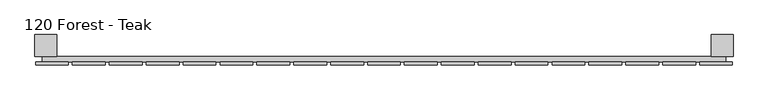
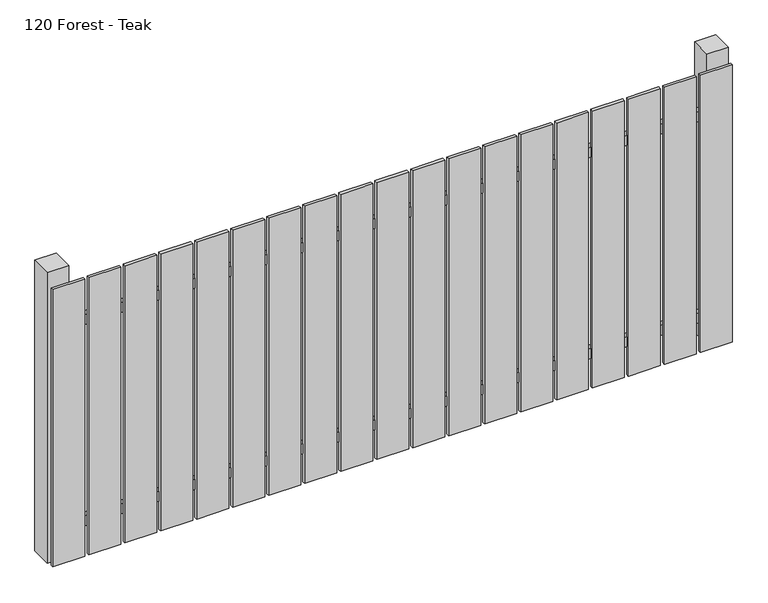
"""IFC4 building model written with IfcOpenShell, lengths in millimetres: railing geometry, 120 Forest - Teak."""

import ifcopenshell
import ifcopenshell.guid

model = None  # the IFC model being written
_history = None  # IfcOwnerHistory: only IFC2X3 demands one
_inside = {}  # id of a spatial element -> (the spatial element, [elements in it])
_under = {}  # id of a project, library or spatial element -> (it, [spatial elements below it])
_declared = {}  # id of a project -> (the project, [libraries it declares])
_typed = {}  # id of a type object -> (the type object, [elements of that type])
_made_of = {}  # id of a material, layer set ... -> (it, [elements and type objects made of it])


def new_model(schema):
    """Start an empty IFC model of exactly this schema.

    Asked for "IFC4X3", IfcOpenShell would pick the latest addendum, in which some entities
    have other attributes; the version numbers below select the first issue.
    IFC2X3 requires an IfcOwnerHistory on every rooted entity: one is made here for all.
    """
    global model, _history
    if schema == "IFC4X3":
        model = ifcopenshell.file(schema_version=(4, 3, 0, 0))
    else:
        model = ifcopenshell.file(schema=schema)
    _inside.clear()
    _under.clear()
    _declared.clear()
    _typed.clear()
    _made_of.clear()
    _history = None
    if model.schema == "IFC2X3":
        org = make("IfcOrganization", Name="unknown")
        user = make(
            "IfcPersonAndOrganization",
            ThePerson=make("IfcPerson", FamilyName="unknown"),
            TheOrganization=org,
        )
        app = make(
            "IfcApplication",
            ApplicationDeveloper=org,
            Version="unknown",
            ApplicationFullName="unknown",
            ApplicationIdentifier="unknown",
        )
        _history = make(
            "IfcOwnerHistory",
            OwningUser=user,
            OwningApplication=app,
            ChangeAction="ADDED",
            CreationDate=0,
        )
    return model


def make(cls, **values):
    """One entity of the class cls with the attributes given. An attribute that is None is left unset."""
    return model.create_entity(
        cls, **{name: value for name, value in values.items() if value is not None}
    )


def rooted(cls, **values):
    """An entity with a GlobalId (a new one), such as an element, a storey or a relation."""
    return make(cls, GlobalId=ifcopenshell.guid.new(), OwnerHistory=_history, **values)


def si_unit(unit_type, name, prefix=None):
    """IfcSIUnit, for example si_unit("LENGTHUNIT", "METRE", prefix="MILLI")."""
    return make("IfcSIUnit", UnitType=unit_type, Prefix=prefix, Name=name)


def assignment(units):
    """IfcUnitAssignment: the units of a project."""
    return None if units is None else make("IfcUnitAssignment", Units=units)


def point(xyz):
    """IfcCartesianPoint."""
    return None if xyz is None else make("IfcCartesianPoint", Coordinates=xyz)


def direction(xyz):
    """IfcDirection."""
    return None if xyz is None else make("IfcDirection", DirectionRatios=xyz)


def frame(location, z_axis=None, x_axis=None):
    """IfcAxis2Placement3D, a coordinate frame: its origin and axes. An axis left out is left unset."""
    return make(
        "IfcAxis2Placement3D",
        Location=point(location),
        Axis=direction(z_axis),
        RefDirection=direction(x_axis),
    )


def origin():
    """The frame at (0, 0, 0) with its axes left unset."""
    return frame((0.0, 0.0, 0.0))


def origin_with_axes():
    """The frame at (0, 0, 0) with the z axis (0, 0, 1) and the x axis (1, 0, 0) written out."""
    return frame((0.0, 0.0, 0.0), z_axis=(0.0, 0.0, 1.0), x_axis=(1.0, 0.0, 0.0))


def place(relative_to, where):
    """IfcLocalPlacement: puts the frame where relative to a parent placement (None: the world)."""
    return make(
        "IfcLocalPlacement", PlacementRelTo=relative_to, RelativePlacement=where
    )


def context(
    kind, dimensions, precision=None, world=None, true_north=None, identifier=None
):
    """IfcGeometricRepresentationContext, for example the 3D "Model" context."""
    return make(
        "IfcGeometricRepresentationContext",
        ContextIdentifier=identifier,
        ContextType=kind,
        CoordinateSpaceDimension=dimensions,
        Precision=precision,
        WorldCoordinateSystem=world,
        TrueNorth=true_north,
    )


def project(units=None, contexts=None):
    """IfcProject with its units and contexts."""
    return rooted(
        "IfcProject",
        Name="project",
        RepresentationContexts=contexts,
        UnitsInContext=assignment(units),
    )


def spatial(cls, under=None, at=None, **own):
    """A site, building, storey or space (cls), placed at a placement, below another one or the project."""
    s = rooted(cls, ObjectPlacement=at, **own)
    if under is not None:
        _under.setdefault(under.id(), (under, []))[1].append(s)
    return s


def polyline(points):
    """IfcPolyline through the points."""
    return make("IfcPolyline", Points=[point(p) for p in points])


def outline(outer, holes=None, kind="AREA"):
    """IfcArbitraryClosedProfileDef: a profile drawn as a closed curve; with holes, ...WithVoids."""
    if holes is None:
        return make("IfcArbitraryClosedProfileDef", ProfileType=kind, OuterCurve=outer)
    return make(
        "IfcArbitraryProfileDefWithVoids",
        ProfileType=kind,
        OuterCurve=outer,
        InnerCurves=holes,
    )


def extrude(swept, where, along, depth):
    """IfcExtrudedAreaSolid: the profile swept, set in the frame where, extruded along a direction by depth."""
    return make(
        "IfcExtrudedAreaSolid",
        SweptArea=swept,
        Position=where,
        ExtrudedDirection=direction(along),
        Depth=depth,
    )


def shape(context_of_items, identifier, shape_type, items):
    """IfcShapeRepresentation: the items that make up one representation, for example the "Body"."""
    return make(
        "IfcShapeRepresentation",
        ContextOfItems=context_of_items,
        RepresentationIdentifier=identifier,
        RepresentationType=shape_type,
        Items=items,
    )


def source(mapping_origin, context_of_items, identifier, shape_type, items):
    """IfcRepresentationMap: a shape defined once, which mapped items show again and again."""
    return make(
        "IfcRepresentationMap",
        MappingOrigin=mapping_origin,
        MappedRepresentation=shape(context_of_items, identifier, shape_type, items),
    )


def transform(
    local_origin,
    x_axis=None,
    y_axis=None,
    z_axis=None,
    scale=None,
    scale2=None,
    scale3=None,
    uniform=True,
):
    """IfcCartesianTransformationOperator3D, or its non-uniform kind. x_axis, y_axis, z_axis: its Axis1, 2, 3."""
    if uniform:
        return make(
            "IfcCartesianTransformationOperator3D",
            Axis1=direction(x_axis),
            Axis2=direction(y_axis),
            LocalOrigin=point(local_origin),
            Scale=scale,
            Axis3=direction(z_axis),
        )
    return make(
        "IfcCartesianTransformationOperator3DnonUniform",
        Axis1=direction(x_axis),
        Axis2=direction(y_axis),
        LocalOrigin=point(local_origin),
        Scale=scale,
        Axis3=direction(z_axis),
        Scale2=scale2,
        Scale3=scale3,
    )


def mapped(mapping_source, mapping_target):
    """IfcMappedItem: shows the shape of a source again, moved by a transform."""
    return make(
        "IfcMappedItem", MappingSource=mapping_source, MappingTarget=mapping_target
    )


def made_of(thing, what):
    """Note that an element or type object is made of a material, layer set ...; save() writes the relation."""
    if what is not None:
        _made_of.setdefault(what.id(), (what, []))[1].append(thing)
    return thing


def element(
    cls,
    number,
    at=None,
    inside=None,
    cuts=None,
    type_object=None,
    material=None,
    context=None,
    identifier="Body",
    shape_type=None,
    held_by="IfcProductDefinitionShape",
    body=None,
    shapes=None,
    **own,
):
    """One element of the class cls, such as IfcWall. Its Tag is "e" and its number.

    at: its placement. inside: the storey or other place that contains it. cuts: it is an
    opening in that element (IfcRelVoidsElement). A single representation is given by context,
    identifier, shape_type and body (its items); several are given by shapes. held_by: the class
    of the entity that holds the representations. save() writes the other relations.
    """
    e = rooted(cls, Tag="e%d" % number, ObjectPlacement=at, **own)
    if body is not None:
        shapes = [shape(context, identifier, shape_type, body)]
    if shapes is not None:
        e.Representation = make(held_by, Representations=shapes)
    if inside is not None:
        _inside.setdefault(inside.id(), (inside, []))[1].append(e)
    if cuts is not None:
        rooted(
            "IfcRelVoidsElement", RelatingBuildingElement=cuts, RelatedOpeningElement=e
        )
    if type_object is not None:
        _typed.setdefault(type_object.id(), (type_object, []))[1].append(e)
    return made_of(e, material)


def aggregate(whole, parts):
    """IfcRelAggregates: a whole, such as a stair, and the parts it consists of."""
    return rooted("IfcRelAggregates", RelatingObject=whole, RelatedObjects=parts)


def save(model, path):
    """Write the relations noted so far, then the file.

    IfcRelAggregates (storeys below a building ...), IfcRelContainedInSpatialStructure (elements
    in a storey), IfcRelDefinesByType, IfcRelAssociatesMaterial and IfcRelDeclares: one each for
    every whole, place, type object, material and project.
    """
    for whole, parts in _under.values():
        aggregate(whole, parts)
    for where, things in _inside.values():
        rooted(
            "IfcRelContainedInSpatialStructure",
            RelatedElements=things,
            RelatingStructure=where,
        )
    for kind, things in _typed.values():
        rooted("IfcRelDefinesByType", RelatedObjects=things, RelatingType=kind)
    for what, things in _made_of.values():
        rooted("IfcRelAssociatesMaterial", RelatedObjects=things, RelatingMaterial=what)
    for by, libraries in _declared.values():
        rooted("IfcRelDeclares", RelatingContext=by, RelatedDefinitions=libraries)
    model.write(path)


def railing_120_forest_teak_3695dc85(model_context):
    return source(origin(), model_context, "Body", "SweptSolid", [
        extrude(outline(polyline([(6087.4299228, -88939.0267127), (6087.4299228, -88919.0267127), (8587.4299228, -88919.0267127), (8587.4299228, -88939.0267127), (6087.4299228, -88939.0267127)])), frame((0.0, 0.0, 110.0), z_axis=(0.0, 0.0, 1.0), x_axis=(1.0, 0.0, 0.0)), (0.0, 0.0, 1.0), 40.0),
        extrude(outline(polyline([(6087.4299228, -88939.0267127), (6087.4299228, -88919.0267127), (8587.4299228, -88919.0267127), (8587.4299228, -88939.0267127), (6087.4299228, -88939.0267127)])), frame((0.0, 0.0, 910.0), z_axis=(0.0, 0.0, 1.0), x_axis=(1.0, 0.0, 0.0)), (0.0, 0.0, 1.0), 40.0),
        extrude(outline(polyline([(8492.4299228, -88950.5267127), (8492.4299228, -88939.5267127), (8612.4299228, -88939.5267127), (8612.4299228, -88950.5267127), (8492.4299228, -88950.5267127)])), origin_with_axes(), (0.0, 0.0, 1.0), 1100.0),
        extrude(outline(polyline([(8357.4299228, -88950.5267127), (8357.4299228, -88939.5267127), (8477.4299228, -88939.5267127), (8477.4299228, -88950.5267127), (8357.4299228, -88950.5267127)])), origin_with_axes(), (0.0, 0.0, 1.0), 1100.0),
        extrude(outline(polyline([(8222.4299228, -88950.5267127), (8222.4299228, -88939.5267127), (8342.4299228, -88939.5267127), (8342.4299228, -88950.5267127), (8222.4299228, -88950.5267127)])), origin_with_axes(), (0.0, 0.0, 1.0), 1100.0),
        extrude(outline(polyline([(8087.4299228, -88950.5267127), (8087.4299228, -88939.5267127), (8207.4299228, -88939.5267127), (8207.4299228, -88950.5267127), (8087.4299228, -88950.5267127)])), origin_with_axes(), (0.0, 0.0, 1.0), 1100.0),
        extrude(outline(polyline([(7952.4299228, -88950.5267127), (7952.4299228, -88939.5267127), (8072.4299228, -88939.5267127), (8072.4299228, -88950.5267127), (7952.4299228, -88950.5267127)])), origin_with_axes(), (0.0, 0.0, 1.0), 1100.0),
        extrude(outline(polyline([(7817.4299228, -88950.5267127), (7817.4299228, -88939.5267127), (7937.4299228, -88939.5267127), (7937.4299228, -88950.5267127), (7817.4299228, -88950.5267127)])), origin_with_axes(), (0.0, 0.0, 1.0), 1100.0),
        extrude(outline(polyline([(7682.4299228, -88950.5267127), (7682.4299228, -88939.5267127), (7802.4299228, -88939.5267127), (7802.4299228, -88950.5267127), (7682.4299228, -88950.5267127)])), origin_with_axes(), (0.0, 0.0, 1.0), 1100.0),
        extrude(outline(polyline([(7547.4299228, -88950.5267127), (7547.4299228, -88939.5267127), (7667.4299228, -88939.5267127), (7667.4299228, -88950.5267127), (7547.4299228, -88950.5267127)])), origin_with_axes(), (0.0, 0.0, 1.0), 1100.0),
        extrude(outline(polyline([(7412.4299228, -88950.5267127), (7412.4299228, -88939.5267127), (7532.4299228, -88939.5267127), (7532.4299228, -88950.5267127), (7412.4299228, -88950.5267127)])), origin_with_axes(), (0.0, 0.0, 1.0), 1100.0),
        extrude(outline(polyline([(7277.4299228, -88950.5267127), (7277.4299228, -88939.5267127), (7397.4299228, -88939.5267127), (7397.4299228, -88950.5267127), (7277.4299228, -88950.5267127)])), origin_with_axes(), (0.0, 0.0, 1.0), 1100.0),
        extrude(outline(polyline([(7142.4299228, -88950.5267127), (7142.4299228, -88939.5267127), (7262.4299228, -88939.5267127), (7262.4299228, -88950.5267127), (7142.4299228, -88950.5267127)])), origin_with_axes(), (0.0, 0.0, 1.0), 1100.0),
        extrude(outline(polyline([(7007.4299228, -88950.5267127), (7007.4299228, -88939.5267127), (7127.4299228, -88939.5267127), (7127.4299228, -88950.5267127), (7007.4299228, -88950.5267127)])), origin_with_axes(), (0.0, 0.0, 1.0), 1100.0),
        extrude(outline(polyline([(6872.4299228, -88950.5267127), (6872.4299228, -88939.5267127), (6992.4299228, -88939.5267127), (6992.4299228, -88950.5267127), (6872.4299228, -88950.5267127)])), origin_with_axes(), (0.0, 0.0, 1.0), 1100.0),
        extrude(outline(polyline([(6737.4299228, -88950.5267127), (6737.4299228, -88939.5267127), (6857.4299228, -88939.5267127), (6857.4299228, -88950.5267127), (6737.4299228, -88950.5267127)])), origin_with_axes(), (0.0, 0.0, 1.0), 1100.0),
        extrude(outline(polyline([(6602.4299228, -88950.5267127), (6602.4299228, -88939.5267127), (6722.4299228, -88939.5267127), (6722.4299228, -88950.5267127), (6602.4299228, -88950.5267127)])), origin_with_axes(), (0.0, 0.0, 1.0), 1100.0),
        extrude(outline(polyline([(6467.4299228, -88950.5267127), (6467.4299228, -88939.5267127), (6587.4299228, -88939.5267127), (6587.4299228, -88950.5267127), (6467.4299228, -88950.5267127)])), origin_with_axes(), (0.0, 0.0, 1.0), 1100.0),
        extrude(outline(polyline([(6332.4299228, -88950.5267127), (6332.4299228, -88939.5267127), (6452.4299228, -88939.5267127), (6452.4299228, -88950.5267127), (6332.4299228, -88950.5267127)])), origin_with_axes(), (0.0, 0.0, 1.0), 1100.0),
        extrude(outline(polyline([(6197.4299228, -88950.5267127), (6197.4299228, -88939.5267127), (6317.4299228, -88939.5267127), (6317.4299228, -88950.5267127), (6197.4299228, -88950.5267127)])), origin_with_axes(), (0.0, 0.0, 1.0), 1100.0),
        extrude(outline(polyline([(6062.4299228, -88950.5267127), (6062.4299228, -88939.5267127), (6182.4299228, -88939.5267127), (6182.4299228, -88950.5267127), (6062.4299228, -88950.5267127)])), origin_with_axes(), (0.0, 0.0, 1.0), 1100.0),
        extrude(outline(polyline([(8534.9299228, -88839.0267127), (8614.9299228, -88839.0267127), (8614.9299228, -88919.0267127), (8534.9299228, -88919.0267127), (8534.9299228, -88839.0267127)])), frame((0.0, 0.0, -4.0), z_axis=(0.0, 0.0, 1.0), x_axis=(1.0, 0.0, 0.0)), (0.0, 0.0, 1.0), 1154.0),
        extrude(outline(polyline([(6059.9299228, -88839.0267127), (6139.9299228, -88839.0267127), (6139.9299228, -88919.0267127), (6059.9299228, -88919.0267127), (6059.9299228, -88839.0267127)])), frame((0.0, 0.0, -4.0), z_axis=(0.0, 0.0, 1.0), x_axis=(1.0, 0.0, 0.0)), (0.0, 0.0, 1.0), 1154.0),
    ])


if __name__ == "__main__":
    model = new_model("IFC4")
    model_context = context("Model", 3, world=origin())
    ifc_project = project(units=[si_unit("LENGTHUNIT", "METRE", prefix="MILLI")], contexts=[model_context])
    site = spatial("IfcSite", under=ifc_project)
    building = spatial("IfcBuilding", under=site)
    placement = place(None, origin())
    railing_120_forest_teak_shape = railing_120_forest_teak_3695dc85(model_context)
    element("IfcRailing", 1, ObjectType="120 Forest - Teak", at=placement, inside=building, context=model_context, shape_type="MappedRepresentation", body=[
        mapped(railing_120_forest_teak_shape, transform((0.0, 0.0, 0.0), x_axis=(1.0, 0.0, 0.0), y_axis=(0.0, 1.0, 0.0), z_axis=(0.0, 0.0, 1.0))),
    ])
    save(model, "model.ifc")
